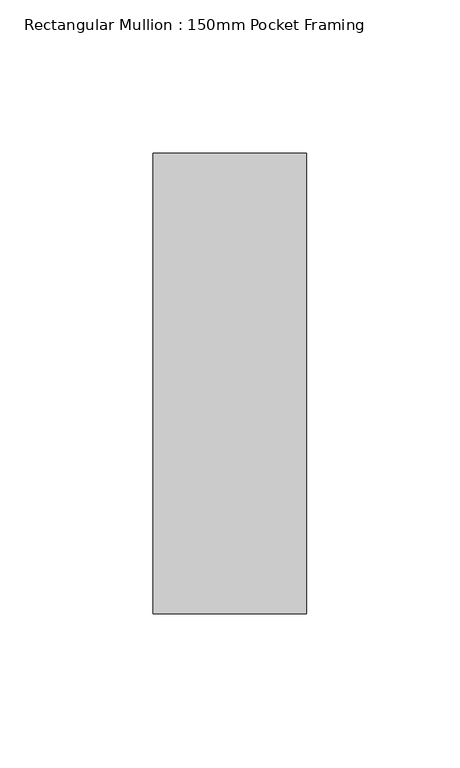
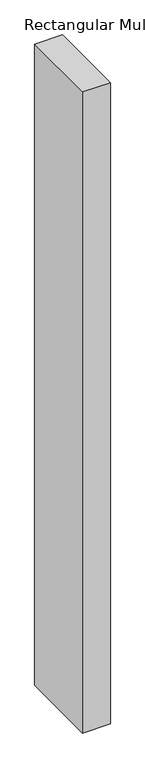
"""IFC4 building model written with IfcOpenShell, lengths in millimetres: member geometry, Rectangular Mullion : 150mm Pocket Framing."""

from ifc_helpers import new_model, si_unit, frame, origin, place, context, project, spatial, polyline, outline, extrude, source, transform, mapped, element, save


def rectangular_mullion_150mm_pocket_framing_6d74739c(model_context):
    return source(origin(), model_context, "Body", "SweptSolid", [
        extrude(outline(polyline([(0.0, 75.0), (0.0, -75.0), (-50.0, -75.0), (-50.0, 75.0), (0.0, 75.0)])), frame((0.0, 0.0, -1225.0), z_axis=(0.0, 0.0, 1.0), x_axis=(1.0, 0.0, 0.0)), (0.0, 0.0, 1.0), 1225.0),
    ])


if __name__ == "__main__":
    model = new_model("IFC4")
    model_context = context("Model", 3, world=origin())
    ifc_project = project(units=[si_unit("LENGTHUNIT", "METRE", prefix="MILLI")], contexts=[model_context])
    site = spatial("IfcSite", under=ifc_project)
    building = spatial("IfcBuilding", under=site)
    placement = place(None, origin())
    rectangular_mullion_150mm_pocket_framing_shape = rectangular_mullion_150mm_pocket_framing_6d74739c(model_context)
    element("IfcMember", 1, ObjectType="Rectangular Mullion : 150mm Pocket Framing", at=placement, inside=building, context=model_context, shape_type="MappedRepresentation", body=[
        mapped(rectangular_mullion_150mm_pocket_framing_shape, transform((0.0, 0.0, 0.0), x_axis=(1.0, 0.0, 0.0), y_axis=(0.0, 1.0, 0.0), z_axis=(0.0, 0.0, 1.0))),
    ])
    save(model, "model.ifc")
